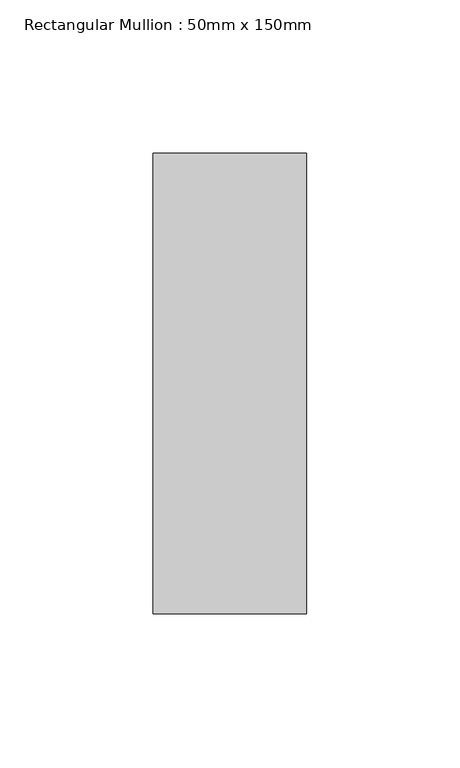
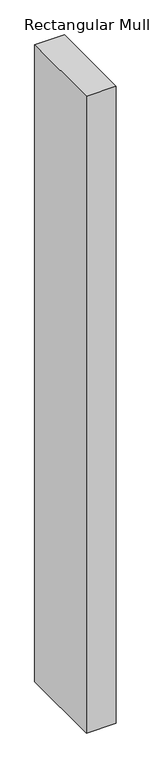
"""IFC4 building model written with IfcOpenShell, lengths in millimetres: member geometry, Rectangular Mullion : 50mm x 150mm."""

from ifc_helpers import new_model, si_unit, frame, origin, place, context, project, spatial, polyline, outline, extrude, source, transform, mapped, element, save


def rectangular_mullion_50mm_x_150mm_76389f41(model_context):
    return source(origin(), model_context, "Body", "SweptSolid", [
        extrude(outline(polyline([(0.0, 75.0), (0.0, -75.0), (-50.0, -75.0), (-50.0, 75.0), (0.0, 75.0)])), frame((0.0, 0.0, -1128.9127148), z_axis=(0.0, 0.0, 1.0), x_axis=(1.0, 0.0, 0.0)), (0.0, 0.0, 1.0), 1128.9127148),
    ])


if __name__ == "__main__":
    model = new_model("IFC4")
    model_context = context("Model", 3, world=origin())
    ifc_project = project(units=[si_unit("LENGTHUNIT", "METRE", prefix="MILLI")], contexts=[model_context])
    site = spatial("IfcSite", under=ifc_project)
    building = spatial("IfcBuilding", under=site)
    placement = place(None, origin())
    rectangular_mullion_50mm_x_150mm_shape = rectangular_mullion_50mm_x_150mm_76389f41(model_context)
    element("IfcMember", 1, ObjectType="Rectangular Mullion : 50mm x 150mm", at=placement, inside=building, context=model_context, shape_type="MappedRepresentation", body=[
        mapped(rectangular_mullion_50mm_x_150mm_shape, transform((0.0, 0.0, 0.0), x_axis=(1.0, 0.0, 0.0), y_axis=(0.0, 1.0, 0.0), z_axis=(0.0, 0.0, 1.0))),
    ])
    save(model, "model.ifc")
